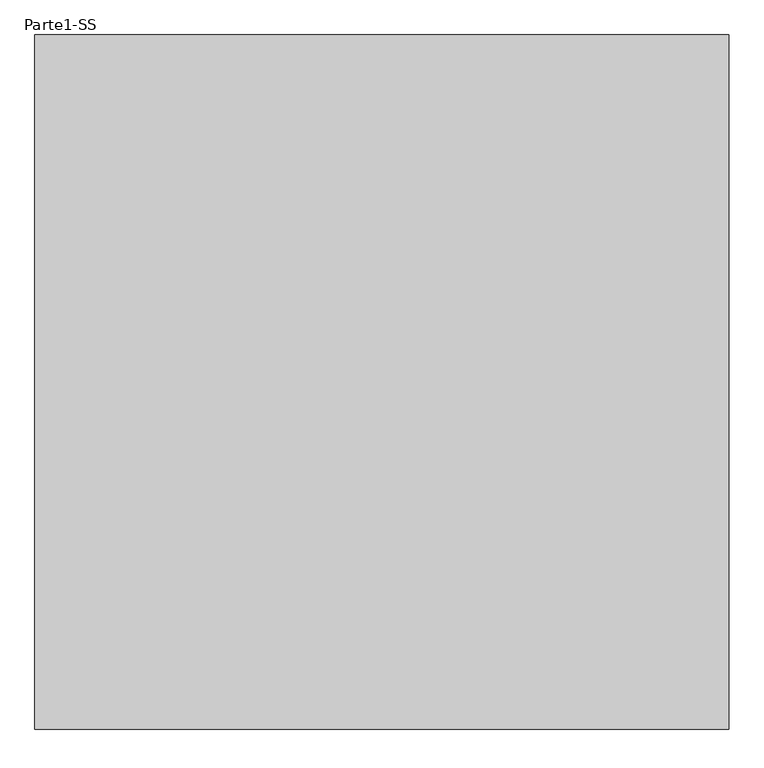
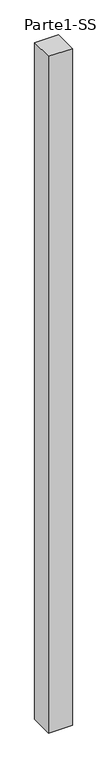
"""IFC4 building model written with IfcOpenShell, lengths in millimetres: proxy geometry, Parte1-SS."""

from ifc_helpers import new_model, si_unit, frame, origin, place, context, project, spatial, polyline, outline, extrude, source, transform, mapped, element, save


def parte1_ss_e06bf4f3(model_context):
    return source(origin(), model_context, "Body", "SweptSolid", [
        extrude(outline(polyline([(2000.0, 2000.0), (2000.0, 0.0), (0.0, 0.0), (0.0, 2000.0), (2000.0, 2000.0)])), frame((0.0, 0.0, 25000.0), z_axis=(0.0, 0.0, 1.0), x_axis=(1.0, 0.0, 0.0)), (0.0, 0.0, 1.0), 60000.0),
    ])


if __name__ == "__main__":
    model = new_model("IFC4")
    model_context = context("Model", 3, world=origin())
    ifc_project = project(units=[si_unit("LENGTHUNIT", "METRE", prefix="MILLI")], contexts=[model_context])
    site = spatial("IfcSite", under=ifc_project)
    building = spatial("IfcBuilding", under=site)
    placement = place(None, origin())
    parte1_ss_shape = parte1_ss_e06bf4f3(model_context)
    element("IfcBuildingElementProxy", 1, Name="Parte1-SS", ObjectType="Parte1-SS", at=placement, inside=building, context=model_context, shape_type="MappedRepresentation", body=[
        mapped(parte1_ss_shape, transform((0.0, 0.0, 0.0), x_axis=(1.0, 0.0, 0.0), y_axis=(0.0, 1.0, 0.0), z_axis=(0.0, 0.0, 1.0))),
    ])
    save(model, "model.ifc")
